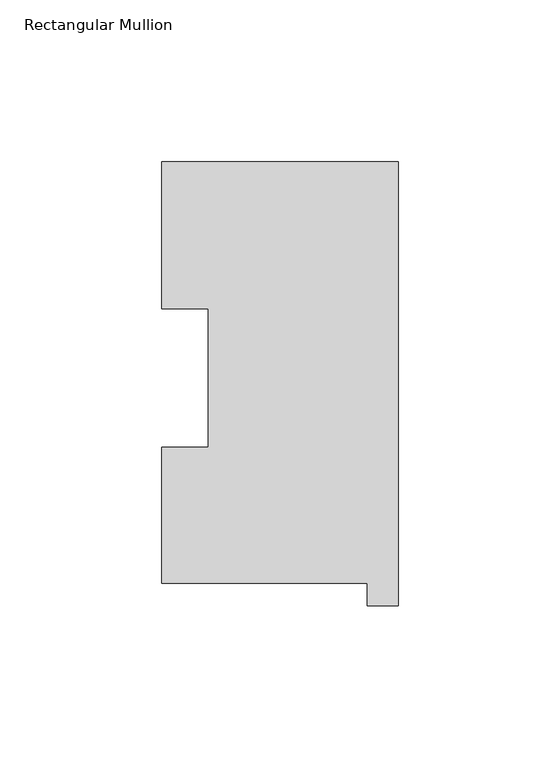
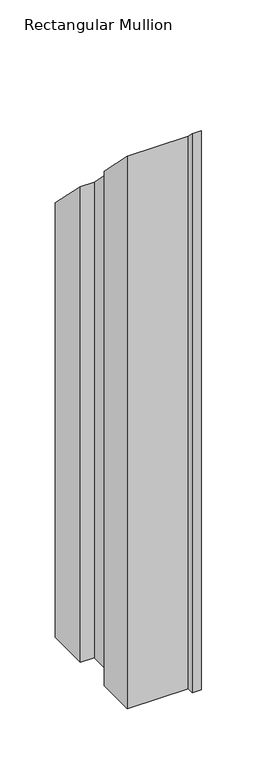
"""IFC4 building model written with IfcOpenShell, lengths in millimetres: member geometry, Rectangular Mullion."""

from ifc_helpers import new_model, si_unit, origin, place, context, project, spatial, faceted_brep, source, transform, mapped, element, save


def rectangular_mullion_0231b289(model_context):
    return source(origin(), model_context, "Body", "Brep", [
        faceted_brep([(-9.525, 0.04445, -609.6), (-73.025, 0.04445, -609.6), (-73.025, 42.08145, -609.6), (-58.7502, 42.08145, -609.6), (-58.7502, 84.93125, -609.6), (-73.025, 84.93125, -609.6), (-73.025, 130.34645, -609.6), (0.0, 130.34645, -609.6), (0.0, -6.86435, -609.6), (-9.525, -6.86435, -609.6), (-9.525, -6.86435, 6.86435), (-9.525, 0.04445, -0.04445), (0.0, -6.86435, 6.86435), (0.0, 130.34645, -130.34645), (-73.025, 130.34645, -130.34645), (-73.025, 84.93125, -84.93125), (-58.7502, 84.93125, -84.93125), (-58.7502, 42.08145, -42.08145), (-73.025, 42.08145, -42.08145), (-73.025, 0.04445, -0.04445)], [[[0, 1, 2, 3, 4, 5, 6, 7, 8, 9]], [[10, 11, 0, 9]], [[12, 10, 9, 8]], [[13, 12, 8, 7]], [[14, 13, 7, 6]], [[15, 14, 6, 5]], [[16, 15, 5, 4]], [[17, 16, 4, 3]], [[18, 17, 3, 2]], [[19, 18, 2, 1]], [[11, 19, 1, 0]], [[11, 10, 12, 13, 14, 15, 16, 17, 18, 19]]]),
    ])


if __name__ == "__main__":
    model = new_model("IFC4")
    model_context = context("Model", 3, world=origin())
    ifc_project = project(units=[si_unit("LENGTHUNIT", "METRE", prefix="MILLI")], contexts=[model_context])
    site = spatial("IfcSite", under=ifc_project)
    building = spatial("IfcBuilding", under=site)
    placement = place(None, origin())
    rectangular_mullion_shape = rectangular_mullion_0231b289(model_context)
    element("IfcMember", 1, ObjectType="Rectangular Mullion", at=placement, inside=building, context=model_context, shape_type="MappedRepresentation", body=[
        mapped(rectangular_mullion_shape, transform((0.0, 0.0, 0.0), x_axis=(1.0, 0.0, 0.0), y_axis=(0.0, 1.0, 0.0), z_axis=(0.0, 0.0, 1.0))),
    ])
    save(model, "model.ifc")
